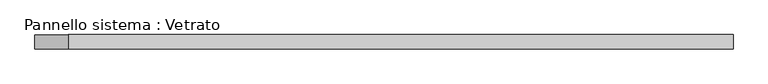
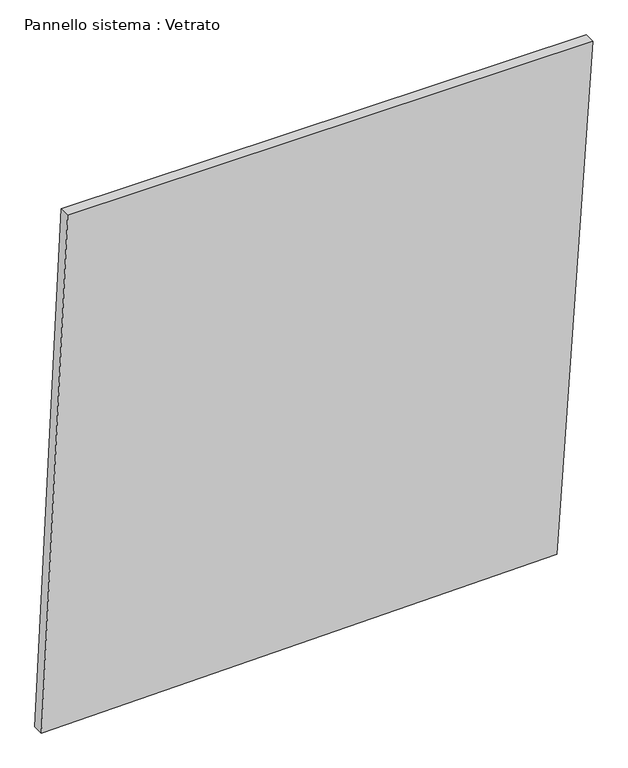
"""IFC4 building model written with IfcOpenShell, lengths in millimetres: plate geometry, Pannello sistema : Vetrato."""

from ifc_helpers import new_model, si_unit, frame, origin, place, context, project, spatial, polyline, outline, extrude, source, transform, mapped, element, save


def pannello_sistema_vetrato_32c85014(model_context):
    return source(origin(), model_context, "Body", "SweptSolid", [
        extrude(outline(polyline([(0.0, -737.1194725), (22.3010506, 640.9549308), (1437.2751072, 737.1194725), (1437.2751072, -666.9990244), (0.0, -737.1194725)])), frame((0.0, -15.0, 0.0), z_axis=(0.0, 1.0, 0.0), x_axis=(0.0, 0.0, 1.0)), (0.0, 0.0, 1.0), 30.0),
    ])


if __name__ == "__main__":
    model = new_model("IFC4")
    model_context = context("Model", 3, world=origin())
    ifc_project = project(units=[si_unit("LENGTHUNIT", "METRE", prefix="MILLI")], contexts=[model_context])
    site = spatial("IfcSite", under=ifc_project)
    building = spatial("IfcBuilding", under=site)
    placement = place(None, origin())
    pannello_sistema_vetrato_shape = pannello_sistema_vetrato_32c85014(model_context)
    element("IfcPlate", 1, ObjectType="Pannello sistema : Vetrato", at=placement, inside=building, context=model_context, shape_type="MappedRepresentation", body=[
        mapped(pannello_sistema_vetrato_shape, transform((0.0, 0.0, 0.0), x_axis=(1.0, 0.0, 0.0), y_axis=(0.0, 1.0, 0.0), z_axis=(0.0, 0.0, 1.0))),
    ])
    save(model, "model.ifc")
